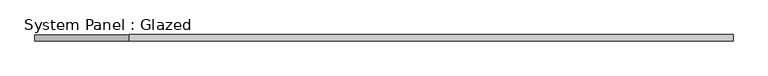
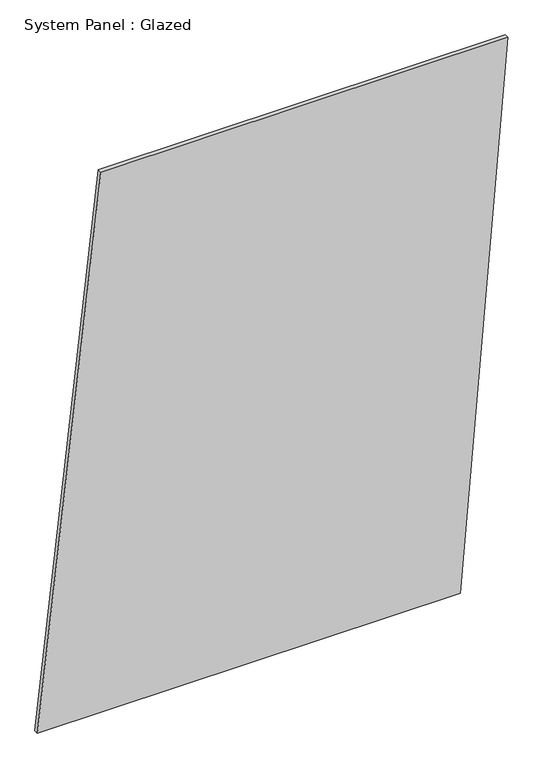
"""IFC4 building model written with IfcOpenShell, lengths in millimetres: plate geometry, System Panel : Glazed."""

from ifc_helpers import new_model, si_unit, frame, origin, place, context, project, spatial, polyline, outline, extrude, source, transform, mapped, element, save


def system_panel_glazed_12c09ad3(model_context):
    return source(origin(), model_context, "Body", "SweptSolid", [
        extrude(outline(polyline([(0.0, -1376.1105846), (0.0, 1097.1143078), (3339.9757421, 1376.1105846), (3339.9757421, -1004.1155489), (0.0, -1376.1105846)])), frame((0.0, -49.5, 0.0), z_axis=(0.0, 1.0, 0.0), x_axis=(0.0, 0.0, 1.0)), (0.0, 0.0, 1.0), 25.0),
    ])


if __name__ == "__main__":
    model = new_model("IFC4")
    model_context = context("Model", 3, world=origin())
    ifc_project = project(units=[si_unit("LENGTHUNIT", "METRE", prefix="MILLI")], contexts=[model_context])
    site = spatial("IfcSite", under=ifc_project)
    building = spatial("IfcBuilding", under=site)
    placement = place(None, origin())
    system_panel_glazed_shape = system_panel_glazed_12c09ad3(model_context)
    element("IfcPlate", 1, ObjectType="System Panel : Glazed", at=placement, inside=building, context=model_context, shape_type="MappedRepresentation", body=[
        mapped(system_panel_glazed_shape, transform((0.0, 0.0, 0.0), x_axis=(1.0, 0.0, 0.0), y_axis=(0.0, 1.0, 0.0), z_axis=(0.0, 0.0, 1.0))),
    ])
    save(model, "model.ifc")
